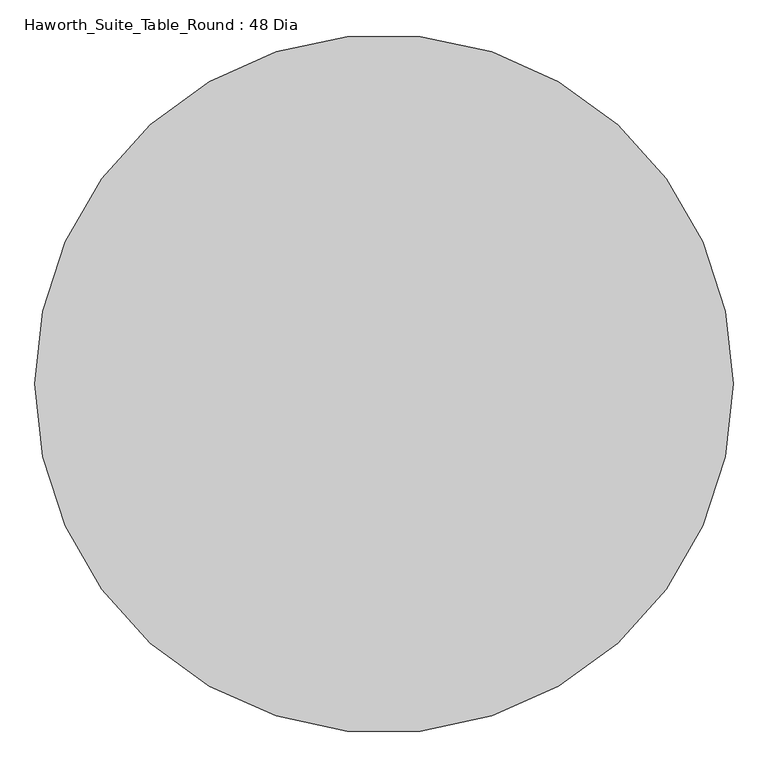
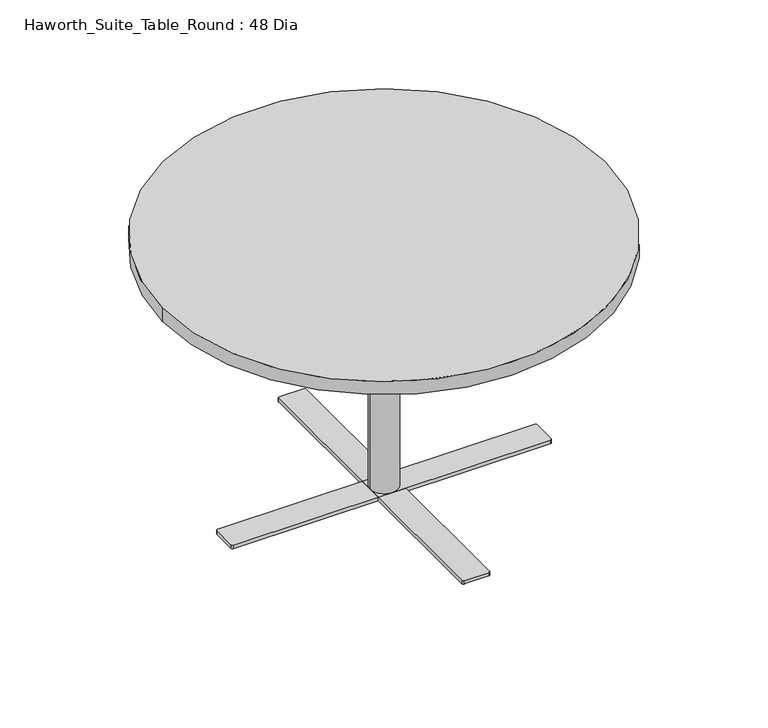
"""IFC4 building model written with IfcOpenShell, lengths in millimetres: furniture geometry, Haworth_Suite_Table_Round : 48 Dia."""

from ifc_helpers import new_model, si_unit, point, frame, frame_2d, origin, origin_with_axes, place, context, project, spatial, polyline, circle_curve, trimmed, segment, composite_curve, outline, extrude, source, transform, mapped, element, save


def haworth_suite_table_round_48_dia_85615df8(model_context):
    return source(origin(), model_context, "Body", "SweptSolid", [
        extrude(outline(composite_curve([segment(trimmed(circle_curve(frame_2d((-403.225, -622.3)), 12.7), [point((-403.225, -609.6))], [point((-403.225, -635.0))], False, "CARTESIAN"), True, "CONTINUOUS"), segment(trimmed(circle_curve(frame_2d((-403.225, -622.3)), 12.7), [point((-403.225, -635.0))], [point((-403.225, -609.6))], False, "CARTESIAN"), True, "CONTINUOUS")], self_intersect=False)), origin_with_axes(), (0.0, 0.0, 1.0), 3.175),
        extrude(outline(composite_curve([segment(trimmed(circle_curve(frame_2d((377.825, -622.3)), 12.7), [point((377.825, -609.6))], [point((377.825, -635.0))], False, "CARTESIAN"), True, "CONTINUOUS"), segment(trimmed(circle_curve(frame_2d((377.825, -622.3)), 12.7), [point((377.825, -635.0))], [point((377.825, -609.6))], False, "CARTESIAN"), True, "CONTINUOUS")], self_intersect=False)), origin_with_axes(), (0.0, 0.0, 1.0), 3.175),
        extrude(outline(polyline([(-434.975, -647.7), (-434.975, -596.9), (409.575, -596.9), (409.575, -647.7), (-434.975, -647.7)])), frame((0.0, 0.0, 3.175), z_axis=(0.0, 0.0, 1.0), x_axis=(1.0, 0.0, 0.0)), (0.0, 0.0, 1.0), 9.525),
        extrude(outline(composite_curve([segment(trimmed(circle_curve(frame_2d((423.8625, -655.6375)), 4.7625), [point((428.625, -655.6375))], [point((423.8625, -660.4))], False, "CARTESIAN"), True, "CONTINUOUS"), segment(polyline([(423.8625, -660.4), (-449.2625, -660.4)]), True, "CONTINUOUS"), segment(trimmed(circle_curve(frame_2d((-449.2625, -655.6375)), 4.7625), [point((-449.2625, -660.4))], [point((-454.025, -655.6375))], False, "CARTESIAN"), True, "CONTINUOUS"), segment(polyline([(-454.025, -655.6375), (-454.025, -588.9625)]), True, "CONTINUOUS"), segment(trimmed(circle_curve(frame_2d((-449.2625, -588.9625)), 4.7625), [point((-454.025, -588.9625))], [point((-449.2625, -584.2))], False, "CARTESIAN"), True, "CONTINUOUS"), segment(polyline([(-449.2625, -584.2), (423.8625, -584.2)]), True, "CONTINUOUS"), segment(trimmed(circle_curve(frame_2d((423.8625, -588.9625)), 4.7625), [point((423.8625, -584.2))], [point((428.625, -588.9625))], False, "CARTESIAN"), True, "CONTINUOUS"), segment(polyline([(428.625, -588.9625), (428.625, -655.6375)]), True, "CONTINUOUS")], self_intersect=False)), frame((0.0, 0.0, 12.7), z_axis=(0.0, 0.0, 1.0), x_axis=(1.0, 0.0, 0.0)), (0.0, 0.0, 1.0), 9.525),
        extrude(outline(composite_curve([segment(trimmed(circle_curve(frame_2d((-12.7, -622.3)), 38.1), [point((-50.8, -622.3))], [point((25.4, -622.3))], False, "CARTESIAN"), True, "CONTINUOUS"), segment(trimmed(circle_curve(frame_2d((-12.7, -622.3)), 38.1), [point((25.4, -622.3))], [point((-50.8, -622.3))], False, "CARTESIAN"), True, "CONTINUOUS")], self_intersect=False)), frame((0.0, 0.0, 22.225), z_axis=(0.0, 0.0, 1.0), x_axis=(1.0, 0.0, 0.0)), (0.0, 0.0, 1.0), 688.975),
        extrude(outline(composite_curve([segment(trimmed(circle_curve(frame_2d((-12.7, -1012.825)), 12.7), [point((-25.4, -1012.825))], [point((0.0, -1012.825))], False, "CARTESIAN"), True, "CONTINUOUS"), segment(trimmed(circle_curve(frame_2d((-12.7, -1012.825)), 12.7), [point((0.0, -1012.825))], [point((-25.4, -1012.825))], False, "CARTESIAN"), True, "CONTINUOUS")], self_intersect=False)), origin_with_axes(), (0.0, 0.0, 1.0), 3.175),
        extrude(outline(composite_curve([segment(trimmed(circle_curve(frame_2d((-12.7, -231.775)), 12.7), [point((-25.4, -231.775))], [point((0.0, -231.775))], False, "CARTESIAN"), True, "CONTINUOUS"), segment(trimmed(circle_curve(frame_2d((-12.7, -231.775)), 12.7), [point((0.0, -231.775))], [point((-25.4, -231.775))], False, "CARTESIAN"), True, "CONTINUOUS")], self_intersect=False)), origin_with_axes(), (0.0, 0.0, 1.0), 3.175),
        extrude(outline(polyline([(12.7, -1044.575), (-38.1, -1044.575), (-38.1, -200.025), (12.7, -200.025), (12.7, -1044.575)])), frame((0.0, 0.0, 3.175), z_axis=(0.0, 0.0, 1.0), x_axis=(1.0, 0.0, 0.0)), (0.0, 0.0, 1.0), 9.525),
        extrude(outline(composite_curve([segment(trimmed(circle_curve(frame_2d((20.6375, -185.7375)), 4.7625), [point((20.6375, -180.975))], [point((25.4, -185.7375))], False, "CARTESIAN"), True, "CONTINUOUS"), segment(polyline([(25.4, -185.7375), (25.4, -1058.8625)]), True, "CONTINUOUS"), segment(trimmed(circle_curve(frame_2d((20.6375, -1058.8625)), 4.7625), [point((25.4, -1058.8625))], [point((20.6375, -1063.625))], False, "CARTESIAN"), True, "CONTINUOUS"), segment(polyline([(20.6375, -1063.625), (-46.0375, -1063.625)]), True, "CONTINUOUS"), segment(trimmed(circle_curve(frame_2d((-46.0375, -1058.8625)), 4.7625), [point((-46.0375, -1063.625))], [point((-50.8, -1058.8625))], False, "CARTESIAN"), True, "CONTINUOUS"), segment(polyline([(-50.8, -1058.8625), (-50.8, -185.7375)]), True, "CONTINUOUS"), segment(trimmed(circle_curve(frame_2d((-46.0375, -185.7375)), 4.7625), [point((-50.8, -185.7375))], [point((-46.0375, -180.975))], False, "CARTESIAN"), True, "CONTINUOUS"), segment(polyline([(-46.0375, -180.975), (20.6375, -180.975)]), True, "CONTINUOUS")], self_intersect=False)), frame((0.0, 0.0, 12.7), z_axis=(0.0, 0.0, 1.0), x_axis=(1.0, 0.0, 0.0)), (0.0, 0.0, 1.0), 9.525),
        extrude(outline(composite_curve([segment(trimmed(circle_curve(frame_2d((-12.7, -622.3)), 609.6), [point((-622.3, -622.3))], [point((596.9, -622.3))], False, "CARTESIAN"), True, "CONTINUOUS"), segment(trimmed(circle_curve(frame_2d((-12.7, -622.3)), 609.6), [point((596.9, -622.3))], [point((-622.3, -622.3))], False, "CARTESIAN"), True, "CONTINUOUS")], self_intersect=False)), frame((0.0, 0.0, 711.2), z_axis=(0.0, 0.0, 1.0), x_axis=(1.0, 0.0, 0.0)), (0.0, 0.0, 1.0), 38.1),
    ])


if __name__ == "__main__":
    model = new_model("IFC4")
    model_context = context("Model", 3, world=origin())
    ifc_project = project(units=[si_unit("LENGTHUNIT", "METRE", prefix="MILLI")], contexts=[model_context])
    site = spatial("IfcSite", under=ifc_project)
    building = spatial("IfcBuilding", under=site)
    placement = place(None, origin())
    haworth_suite_table_round_48_dia_shape = haworth_suite_table_round_48_dia_85615df8(model_context)
    element("IfcFurniture", 1, ObjectType="Haworth_Suite_Table_Round : 48 Dia", at=placement, inside=building, context=model_context, shape_type="MappedRepresentation", body=[
        mapped(haworth_suite_table_round_48_dia_shape, transform((0.0, 0.0, 0.0), x_axis=(1.0, 0.0, 0.0), y_axis=(0.0, 1.0, 0.0), z_axis=(0.0, 0.0, 1.0))),
    ])
    save(model, "model.ifc")
